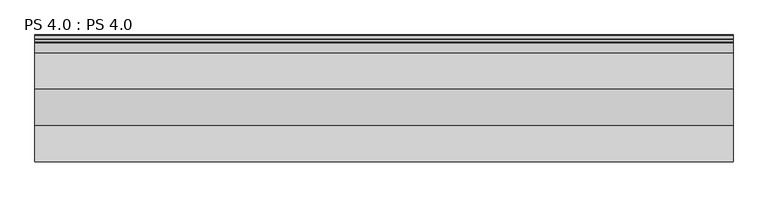
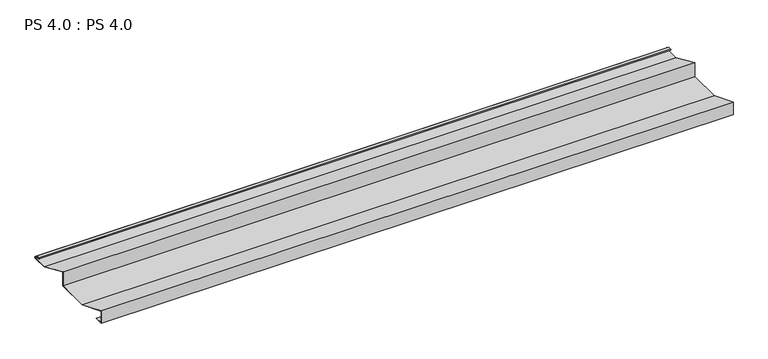
"""IFC4 building model written with IfcOpenShell, lengths in millimetres: proxy geometry, PS 4.0 : PS 4.0."""

from ifc_helpers import new_model, si_unit, point, frame, frame_2d, origin, place, context, project, spatial, polyline, circle_curve, trimmed, segment, composite_curve, outline, extrude, source, transform, mapped, element, save


def ps_4_0_ps_4_0_d8248ff2(model_context):
    return source(origin(), model_context, "Body", "SweptSolid", [
        extrude(outline(composite_curve([segment(polyline([(0.0, 0.0), (0.0, 38.0), (94.0, 0.0), (188.0, 0.0), (188.0, 41.8001275), (282.0, 0.0), (325.0510156, 0.0)]), True, "CONTINUOUS"), segment(trimmed(circle_curve(frame_2d((324.3094696, 1.9153551)), 2.0538928), [point((325.0510156, 0.0))], [point((325.1748462, 3.778041))], True, "CARTESIAN"), True, "CONTINUOUS"), segment(polyline([(325.1748462, 3.778041), (308.7874714, 6.923107)]), True, "CONTINUOUS"), segment(trimmed(circle_curve(frame_2d((309.4078886, 8.6005442)), 1.7884947), [point((308.7874714, 6.923107))], [point((308.9525789, 10.3301125))], False, "CARTESIAN"), True, "CONTINUOUS"), segment(polyline([(308.9525789, 10.3301125), (316.459338, 11.6715995), (316.635255, 10.6871945), (309.1762081, 9.3542338)]), True, "CONTINUOUS"), segment(trimmed(circle_curve(frame_2d((309.4078886, 8.6005442)), 0.7884947), [point((309.1762081, 9.3542338))], [point((309.0735117, 7.8864603))], True, "CARTESIAN"), True, "CONTINUOUS"), segment(polyline([(309.0735117, 7.8864603), (325.4722719, 4.7392091)]), True, "CONTINUOUS"), segment(trimmed(circle_curve(frame_2d((324.3094696, 1.9153551)), 3.0538928), [point((325.4722719, 4.7392091))], [point((325.2188462, -1.0))], False, "CARTESIAN"), True, "CONTINUOUS"), segment(polyline([(325.2188462, -1.0), (281.988528, -1.0), (189.0, 40.3503439), (189.0, -1.0), (93.8874201, -1.0), (1.0, 36.5502337), (1.0, 1.0), (25.0, 1.0), (25.0, 0.0), (0.0, 0.0)]), True, "CONTINUOUS")], self_intersect=False)), frame((0.0, 0.0, 0.0), z_axis=(1.0, 0.0, 0.0), x_axis=(0.0, 1.0, 0.0)), (0.0, 0.0, 1.0), 1800.0),
    ])


if __name__ == "__main__":
    model = new_model("IFC4")
    model_context = context("Model", 3, world=origin())
    ifc_project = project(units=[si_unit("LENGTHUNIT", "METRE", prefix="MILLI")], contexts=[model_context])
    site = spatial("IfcSite", under=ifc_project)
    building = spatial("IfcBuilding", under=site)
    placement = place(None, origin())
    ps_4_0_ps_4_0_shape = ps_4_0_ps_4_0_d8248ff2(model_context)
    element("IfcBuildingElementProxy", 1, Name="PS 4.0 : PS 4.0", ObjectType="PS 4.0 : PS 4.0", at=placement, inside=building, context=model_context, shape_type="MappedRepresentation", body=[
        mapped(ps_4_0_ps_4_0_shape, transform((0.0, 0.0, 0.0), x_axis=(1.0, 0.0, 0.0), y_axis=(0.0, 1.0, 0.0), z_axis=(0.0, 0.0, 1.0))),
    ])
    save(model, "model.ifc")
